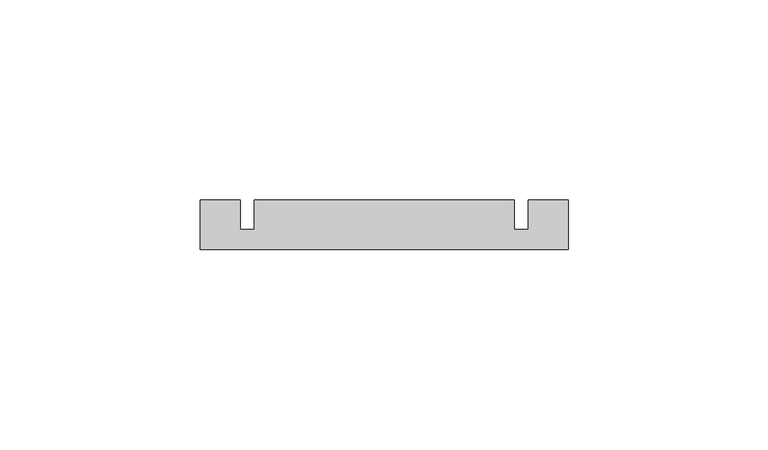
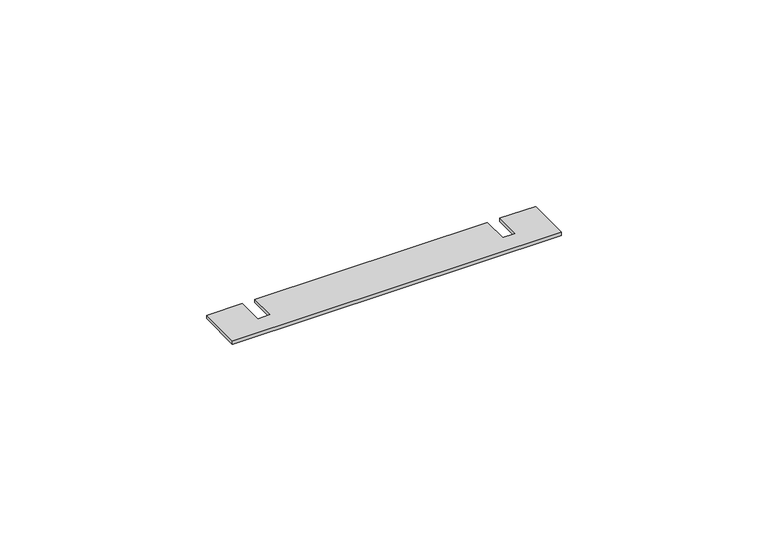
"""IFC4 building model written with IfcOpenShell, lengths in millimetres: proxy geometry."""

from ifc_helpers import new_model, si_unit, origin, origin_with_axes, place, context, project, spatial, polyline, outline, extrude, source, transform, mapped, element, save


def generic_models_42edf286(model_context):
    return source(origin(), model_context, "Body", "SweptSolid", [
        extrude(outline(polyline([(82.0, -5.0), (-10.0, -5.0), (-10.0, 7.5), (0.0, 7.5), (0.0, 0.0), (3.5, 0.0), (3.5, 7.5), (68.5, 7.5), (68.5, 0.0), (72.0, 0.0), (72.0, 7.5), (82.0, 7.5), (82.0, -5.0)])), origin_with_axes(), (0.0, 0.0, 1.0), 1.0),
    ])


if __name__ == "__main__":
    model = new_model("IFC4")
    model_context = context("Model", 3, world=origin())
    ifc_project = project(units=[si_unit("LENGTHUNIT", "METRE", prefix="MILLI")], contexts=[model_context])
    site = spatial("IfcSite", under=ifc_project)
    building = spatial("IfcBuilding", under=site)
    placement = place(None, origin())
    generic_models_shape = generic_models_42edf286(model_context)
    element("IfcBuildingElementProxy", 1, Name="Generic Models", at=placement, inside=building, context=model_context, shape_type="MappedRepresentation", body=[
        mapped(generic_models_shape, transform((0.0, 0.0, 0.0), x_axis=(1.0, 0.0, 0.0), y_axis=(0.0, 1.0, 0.0), z_axis=(0.0, 0.0, 1.0))),
    ])
    save(model, "model.ifc")
